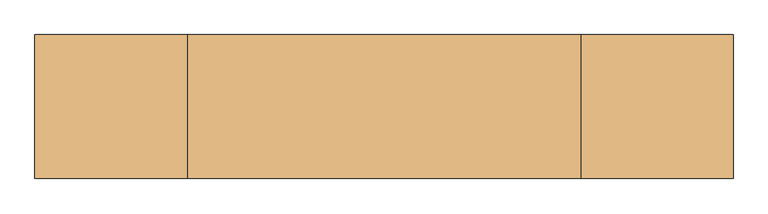
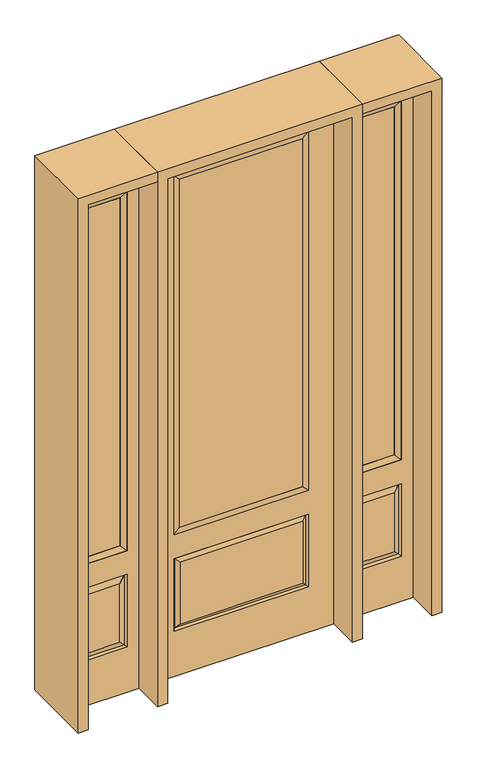
"""IFC4 building model written with IfcOpenShell, lengths in millimetres: door geometry."""

import ifcopenshell
import ifcopenshell.guid

model = None  # the IFC model being written
_history = None  # IfcOwnerHistory: only IFC2X3 demands one
_inside = {}  # id of a spatial element -> (the spatial element, [elements in it])
_under = {}  # id of a project, library or spatial element -> (it, [spatial elements below it])
_declared = {}  # id of a project -> (the project, [libraries it declares])
_typed = {}  # id of a type object -> (the type object, [elements of that type])
_made_of = {}  # id of a material, layer set ... -> (it, [elements and type objects made of it])


def new_model(schema):
    """Start an empty IFC model of exactly this schema.

    Asked for "IFC4X3", IfcOpenShell would pick the latest addendum, in which some entities
    have other attributes; the version numbers below select the first issue.
    IFC2X3 requires an IfcOwnerHistory on every rooted entity: one is made here for all.
    """
    global model, _history
    if schema == "IFC4X3":
        model = ifcopenshell.file(schema_version=(4, 3, 0, 0))
    else:
        model = ifcopenshell.file(schema=schema)
    _inside.clear()
    _under.clear()
    _declared.clear()
    _typed.clear()
    _made_of.clear()
    _history = None
    if model.schema == "IFC2X3":
        org = make("IfcOrganization", Name="unknown")
        user = make(
            "IfcPersonAndOrganization",
            ThePerson=make("IfcPerson", FamilyName="unknown"),
            TheOrganization=org,
        )
        app = make(
            "IfcApplication",
            ApplicationDeveloper=org,
            Version="unknown",
            ApplicationFullName="unknown",
            ApplicationIdentifier="unknown",
        )
        _history = make(
            "IfcOwnerHistory",
            OwningUser=user,
            OwningApplication=app,
            ChangeAction="ADDED",
            CreationDate=0,
        )
    return model


def make(cls, **values):
    """One entity of the class cls with the attributes given. An attribute that is None is left unset."""
    return model.create_entity(
        cls, **{name: value for name, value in values.items() if value is not None}
    )


def rooted(cls, **values):
    """An entity with a GlobalId (a new one), such as an element, a storey or a relation."""
    return make(cls, GlobalId=ifcopenshell.guid.new(), OwnerHistory=_history, **values)


def si_unit(unit_type, name, prefix=None):
    """IfcSIUnit, for example si_unit("LENGTHUNIT", "METRE", prefix="MILLI")."""
    return make("IfcSIUnit", UnitType=unit_type, Prefix=prefix, Name=name)


def assignment(units):
    """IfcUnitAssignment: the units of a project."""
    return None if units is None else make("IfcUnitAssignment", Units=units)


def point(xyz):
    """IfcCartesianPoint."""
    return None if xyz is None else make("IfcCartesianPoint", Coordinates=xyz)


def direction(xyz):
    """IfcDirection."""
    return None if xyz is None else make("IfcDirection", DirectionRatios=xyz)


def frame(location, z_axis=None, x_axis=None):
    """IfcAxis2Placement3D, a coordinate frame: its origin and axes. An axis left out is left unset."""
    return make(
        "IfcAxis2Placement3D",
        Location=point(location),
        Axis=direction(z_axis),
        RefDirection=direction(x_axis),
    )


def origin():
    """The frame at (0, 0, 0) with its axes left unset."""
    return frame((0.0, 0.0, 0.0))


def place(relative_to, where):
    """IfcLocalPlacement: puts the frame where relative to a parent placement (None: the world)."""
    return make(
        "IfcLocalPlacement", PlacementRelTo=relative_to, RelativePlacement=where
    )


def context(
    kind, dimensions, precision=None, world=None, true_north=None, identifier=None
):
    """IfcGeometricRepresentationContext, for example the 3D "Model" context."""
    return make(
        "IfcGeometricRepresentationContext",
        ContextIdentifier=identifier,
        ContextType=kind,
        CoordinateSpaceDimension=dimensions,
        Precision=precision,
        WorldCoordinateSystem=world,
        TrueNorth=true_north,
    )


def project(units=None, contexts=None):
    """IfcProject with its units and contexts."""
    return rooted(
        "IfcProject",
        Name="project",
        RepresentationContexts=contexts,
        UnitsInContext=assignment(units),
    )


def spatial(cls, under=None, at=None, **own):
    """A site, building, storey or space (cls), placed at a placement, below another one or the project."""
    s = rooted(cls, ObjectPlacement=at, **own)
    if under is not None:
        _under.setdefault(under.id(), (under, []))[1].append(s)
    return s


def polyline(points):
    """IfcPolyline through the points."""
    return make("IfcPolyline", Points=[point(p) for p in points])


def outline(outer, holes=None, kind="AREA"):
    """IfcArbitraryClosedProfileDef: a profile drawn as a closed curve; with holes, ...WithVoids."""
    if holes is None:
        return make("IfcArbitraryClosedProfileDef", ProfileType=kind, OuterCurve=outer)
    return make(
        "IfcArbitraryProfileDefWithVoids",
        ProfileType=kind,
        OuterCurve=outer,
        InnerCurves=holes,
    )


def extrude(swept, where, along, depth):
    """IfcExtrudedAreaSolid: the profile swept, set in the frame where, extruded along a direction by depth."""
    return make(
        "IfcExtrudedAreaSolid",
        SweptArea=swept,
        Position=where,
        ExtrudedDirection=direction(along),
        Depth=depth,
    )


def faces_of(points, faces, orient=None, outer=None):
    """IfcFace entities. A face is a list of loops; a loop is a list of indices into points, from 0.

    orient and outer hold one flag for each loop. By default every Orientation is true, the
    first loop of a face is its IfcFaceOuterBound and the others are IfcFaceBound.
    """
    made = []
    for i, loops in enumerate(faces):
        bounds = []
        for j, loop in enumerate(loops):
            is_outer = j == 0 if outer is None else outer[i][j]
            bounds.append(
                make(
                    "IfcFaceOuterBound" if is_outer else "IfcFaceBound",
                    Bound=make("IfcPolyLoop", Polygon=[points[k] for k in loop]),
                    Orientation=True if orient is None else orient[i][j],
                )
            )
        made.append(make("IfcFace", Bounds=bounds))
    return made


def faceted_brep(points, faces, orient=None, outer=None, voids=None):
    """IfcFacetedBrep: a solid bounded by flat faces; with voids (closed shells), ...WithVoids."""
    shared = [point(p) for p in points]
    hull = make("IfcClosedShell", CfsFaces=faces_of(shared, faces, orient, outer))
    if voids is None:
        return make("IfcFacetedBrep", Outer=hull)
    return make(
        "IfcFacetedBrepWithVoids",
        Outer=hull,
        Voids=[
            make(cls, CfsFaces=faces_of(shared, fs, o, b)) for cls, fs, o, b in voids
        ],
    )


def shape(context_of_items, identifier, shape_type, items):
    """IfcShapeRepresentation: the items that make up one representation, for example the "Body"."""
    return make(
        "IfcShapeRepresentation",
        ContextOfItems=context_of_items,
        RepresentationIdentifier=identifier,
        RepresentationType=shape_type,
        Items=items,
    )


def source(mapping_origin, context_of_items, identifier, shape_type, items):
    """IfcRepresentationMap: a shape defined once, which mapped items show again and again."""
    return make(
        "IfcRepresentationMap",
        MappingOrigin=mapping_origin,
        MappedRepresentation=shape(context_of_items, identifier, shape_type, items),
    )


def transform(
    local_origin,
    x_axis=None,
    y_axis=None,
    z_axis=None,
    scale=None,
    scale2=None,
    scale3=None,
    uniform=True,
):
    """IfcCartesianTransformationOperator3D, or its non-uniform kind. x_axis, y_axis, z_axis: its Axis1, 2, 3."""
    if uniform:
        return make(
            "IfcCartesianTransformationOperator3D",
            Axis1=direction(x_axis),
            Axis2=direction(y_axis),
            LocalOrigin=point(local_origin),
            Scale=scale,
            Axis3=direction(z_axis),
        )
    return make(
        "IfcCartesianTransformationOperator3DnonUniform",
        Axis1=direction(x_axis),
        Axis2=direction(y_axis),
        LocalOrigin=point(local_origin),
        Scale=scale,
        Axis3=direction(z_axis),
        Scale2=scale2,
        Scale3=scale3,
    )


def mapped(mapping_source, mapping_target):
    """IfcMappedItem: shows the shape of a source again, moved by a transform."""
    return make(
        "IfcMappedItem", MappingSource=mapping_source, MappingTarget=mapping_target
    )


def made_of(thing, what):
    """Note that an element or type object is made of a material, layer set ...; save() writes the relation."""
    if what is not None:
        _made_of.setdefault(what.id(), (what, []))[1].append(thing)
    return thing


def element(
    cls,
    number,
    at=None,
    inside=None,
    cuts=None,
    type_object=None,
    material=None,
    context=None,
    identifier="Body",
    shape_type=None,
    held_by="IfcProductDefinitionShape",
    body=None,
    shapes=None,
    **own,
):
    """One element of the class cls, such as IfcWall. Its Tag is "e" and its number.

    at: its placement. inside: the storey or other place that contains it. cuts: it is an
    opening in that element (IfcRelVoidsElement). A single representation is given by context,
    identifier, shape_type and body (its items); several are given by shapes. held_by: the class
    of the entity that holds the representations. save() writes the other relations.
    """
    e = rooted(cls, Tag="e%d" % number, ObjectPlacement=at, **own)
    if body is not None:
        shapes = [shape(context, identifier, shape_type, body)]
    if shapes is not None:
        e.Representation = make(held_by, Representations=shapes)
    if inside is not None:
        _inside.setdefault(inside.id(), (inside, []))[1].append(e)
    if cuts is not None:
        rooted(
            "IfcRelVoidsElement", RelatingBuildingElement=cuts, RelatedOpeningElement=e
        )
    if type_object is not None:
        _typed.setdefault(type_object.id(), (type_object, []))[1].append(e)
    return made_of(e, material)


def aggregate(whole, parts):
    """IfcRelAggregates: a whole, such as a stair, and the parts it consists of."""
    return rooted("IfcRelAggregates", RelatingObject=whole, RelatedObjects=parts)


def save(model, path):
    """Write the relations noted so far, then the file.

    IfcRelAggregates (storeys below a building ...), IfcRelContainedInSpatialStructure (elements
    in a storey), IfcRelDefinesByType, IfcRelAssociatesMaterial and IfcRelDeclares: one each for
    every whole, place, type object, material and project.
    """
    for whole, parts in _under.values():
        aggregate(whole, parts)
    for where, things in _inside.values():
        rooted(
            "IfcRelContainedInSpatialStructure",
            RelatedElements=things,
            RelatingStructure=where,
        )
    for kind, things in _typed.values():
        rooted("IfcRelDefinesByType", RelatedObjects=things, RelatingType=kind)
    for what, things in _made_of.values():
        rooted("IfcRelAssociatesMaterial", RelatedObjects=things, RelatingMaterial=what)
    for by, libraries in _declared.values():
        rooted("IfcRelDeclares", RelatingContext=by, RelatedDefinitions=libraries)
    model.write(path)


def door_7a5bc034(model_context):
    return source(origin(), model_context, "Body", "SolidModel", [
        faceted_brep([(450.85, -22.225, 0.0), (755.65, -22.225, 0.0), (755.65, -22.225, 2438.4), (450.85, -22.225, 2438.4), (703.58, -22.225, 2325.624), (703.58, -22.225, 657.098), (502.92, -22.225, 657.098), (502.92, -22.225, 2325.624), (703.58, -22.225, 209.55), (502.92, -22.225, 209.55), (502.92, -22.225, 546.1), (703.58, -22.225, 546.1), (534.6351001, -22.225, 241.2651001), (671.8648999, -22.225, 241.2651001), (671.8648999, -22.225, 514.3848999), (534.6351001, -22.225, 514.3848999), (450.85, 22.225, 0.0), (450.85, 22.225, 2438.4), (755.65, 22.225, 2438.4), (755.65, 22.225, 0.0), (703.58, 22.225, 2325.624), (502.92, 22.225, 2325.624), (502.92, 22.225, 657.098), (703.58, 22.225, 657.098), (502.92, 22.225, 209.55), (703.58, 22.225, 209.55), (703.58, 22.225, 546.1), (502.92, 22.225, 546.1), (671.8648999, 22.225, 241.2651001), (534.6351001, 22.225, 241.2651001), (534.6351001, 22.225, 514.3848999), (671.8648999, 22.225, 514.3848999), (696.4711499, 12.7912373, 216.6588501), (510.0288501, 12.7912373, 216.6588501), (510.0288501, 12.7912373, 538.9911499), (696.4711499, 12.7912373, 538.9911499), (510.0288501, -12.7912373, 216.6588501), (696.4711499, -12.7912373, 216.6588501), (510.0288501, -12.7912373, 538.9911499), (696.4711499, -12.7912373, 538.9911499)], [[[0, 1, 2, 3], [4, 5, 6, 7], [8, 9, 10, 11]], [[12, 13, 14, 15]], [[16, 17, 18, 19], [20, 21, 22, 23], [24, 25, 26, 27]], [[28, 29, 30, 31]], [[1, 0, 16, 19]], [[2, 1, 19, 18]], [[3, 2, 18, 17]], [[0, 3, 17, 16]], [[5, 4, 20, 23]], [[6, 5, 23, 22]], [[7, 6, 22, 21]], [[4, 7, 21, 20]], [[32, 33, 29, 28]], [[33, 32, 25, 24]], [[29, 33, 34, 30]], [[33, 24, 27, 34]], [[30, 34, 35, 31]], [[34, 27, 26, 35]], [[32, 28, 31, 35]], [[25, 32, 35, 26]], [[12, 36, 37, 13]], [[37, 36, 9, 8]], [[36, 12, 15, 38]], [[9, 36, 38, 10]], [[38, 15, 14, 39]], [[10, 38, 39, 11]], [[13, 37, 39, 14]], [[37, 8, 11, 39]]]),
        faceted_brep([(502.92, 22.225, 2325.624), (502.92, -22.225, 2325.624), (703.58, -22.225, 2325.624), (703.58, 22.225, 2325.624), (528.32, 12.7, 2300.224), (678.18, 12.7, 2300.224), (528.32, -12.7, 2300.224), (678.18, -12.7, 2300.224), (703.58, -22.225, 657.098), (703.58, 22.225, 657.098), (678.18, 12.7, 682.498), (678.18, -12.7, 682.498), (502.92, -22.225, 657.098), (502.92, 22.225, 657.098), (528.32, 12.7, 682.498), (528.32, -12.7, 682.498)], [[[0, 1, 2, 3]], [[4, 0, 3, 5]], [[6, 4, 5, 7]], [[1, 6, 7, 2]], [[3, 2, 8, 9]], [[5, 3, 9, 10]], [[7, 5, 10, 11]], [[2, 7, 11, 8]], [[9, 8, 12, 13]], [[10, 9, 13, 14]], [[11, 10, 14, 15]], [[8, 11, 15, 12]], [[13, 12, 1, 0]], [[14, 13, 0, 4]], [[15, 14, 4, 6]], [[12, 15, 6, 1]]]),
        extrude(outline(polyline([(678.18, -12.7), (528.32, -12.7), (528.32, 12.7), (678.18, 12.7), (678.18, -12.7)])), frame((0.0, 0.0, 682.498), z_axis=(0.0, 0.0, 1.0), x_axis=(1.0, 0.0, 0.0)), (0.0, 0.0, 1.0), 1617.726),
        faceted_brep([(-755.65, -22.225, 0.0), (-450.85, -22.225, 0.0), (-450.85, -22.225, 2438.4), (-755.65, -22.225, 2438.4), (-502.92, -22.225, 2325.624), (-502.92, -22.225, 657.098), (-703.58, -22.225, 657.098), (-703.58, -22.225, 2325.624), (-502.92, -22.225, 209.55), (-703.58, -22.225, 209.55), (-703.58, -22.225, 546.1), (-502.92, -22.225, 546.1), (-671.8648999, -22.225, 241.2651001), (-534.6351001, -22.225, 241.2651001), (-534.6351001, -22.225, 514.3848999), (-671.8648999, -22.225, 514.3848999), (-755.65, 22.225, 0.0), (-755.65, 22.225, 2438.4), (-450.85, 22.225, 2438.4), (-450.85, 22.225, 0.0), (-502.92, 22.225, 2325.624), (-703.58, 22.225, 2325.624), (-703.58, 22.225, 657.098), (-502.92, 22.225, 657.098), (-703.58, 22.225, 209.55), (-502.92, 22.225, 209.55), (-502.92, 22.225, 546.1), (-703.58, 22.225, 546.1), (-534.6351001, 22.225, 241.2651001), (-671.8648999, 22.225, 241.2651001), (-671.8648999, 22.225, 514.3848999), (-534.6351001, 22.225, 514.3848999), (-510.0288501, 12.7912373, 216.6588501), (-696.4711499, 12.7912373, 216.6588501), (-696.4711499, 12.7912373, 538.9911499), (-510.0288501, 12.7912373, 538.9911499), (-696.4711499, -12.7912373, 216.6588501), (-510.0288501, -12.7912373, 216.6588501), (-696.4711499, -12.7912373, 538.9911499), (-510.0288501, -12.7912373, 538.9911499)], [[[0, 1, 2, 3], [4, 5, 6, 7], [8, 9, 10, 11]], [[12, 13, 14, 15]], [[16, 17, 18, 19], [20, 21, 22, 23], [24, 25, 26, 27]], [[28, 29, 30, 31]], [[1, 0, 16, 19]], [[2, 1, 19, 18]], [[3, 2, 18, 17]], [[0, 3, 17, 16]], [[5, 4, 20, 23]], [[6, 5, 23, 22]], [[7, 6, 22, 21]], [[4, 7, 21, 20]], [[32, 33, 29, 28]], [[33, 32, 25, 24]], [[29, 33, 34, 30]], [[33, 24, 27, 34]], [[30, 34, 35, 31]], [[34, 27, 26, 35]], [[32, 28, 31, 35]], [[25, 32, 35, 26]], [[12, 36, 37, 13]], [[37, 36, 9, 8]], [[36, 12, 15, 38]], [[9, 36, 38, 10]], [[38, 15, 14, 39]], [[10, 38, 39, 11]], [[13, 37, 39, 14]], [[37, 8, 11, 39]]]),
        faceted_brep([(-703.58, 22.225, 2325.624), (-703.58, -22.225, 2325.624), (-502.92, -22.225, 2325.624), (-502.92, 22.225, 2325.624), (-678.18, 12.7, 2300.224), (-528.32, 12.7, 2300.224), (-678.18, -12.7, 2300.224), (-528.32, -12.7, 2300.224), (-502.92, -22.225, 657.098), (-502.92, 22.225, 657.098), (-528.32, 12.7, 682.498), (-528.32, -12.7, 682.498), (-703.58, -22.225, 657.098), (-703.58, 22.225, 657.098), (-678.18, 12.7, 682.498), (-678.18, -12.7, 682.498)], [[[0, 1, 2, 3]], [[4, 0, 3, 5]], [[6, 4, 5, 7]], [[1, 6, 7, 2]], [[3, 2, 8, 9]], [[5, 3, 9, 10]], [[7, 5, 10, 11]], [[2, 7, 11, 8]], [[9, 8, 12, 13]], [[10, 9, 13, 14]], [[11, 10, 14, 15]], [[8, 11, 15, 12]], [[13, 12, 1, 0]], [[14, 13, 0, 4]], [[15, 14, 4, 6]], [[12, 15, 6, 1]]]),
        extrude(outline(polyline([(-528.32, -12.7), (-678.18, -12.7), (-678.18, 12.7), (-528.32, 12.7), (-528.32, -12.7)])), frame((0.0, 0.0, 682.498), z_axis=(0.0, 0.0, 1.0), x_axis=(1.0, 0.0, 0.0)), (0.0, 0.0, 1.0), 1617.726),
        extrude(outline(polyline([(269.875, -20.32), (-269.875, -20.32), (-269.875, 5.08), (269.875, 5.08), (269.875, -20.32)])), frame((0.0, 0.0, 682.498), z_axis=(0.0, 0.0, 1.0), x_axis=(1.0, 0.0, 0.0)), (0.0, 0.0, 1.0), 1616.202),
        faceted_brep([(-288.1661499, -12.7912373, 216.6588501), (288.1661499, -12.7912373, 216.6588501), (270.66875, -22.225, 234.15625), (-270.66875, -22.225, 234.15625), (-295.275, -22.225, 209.55), (295.275, -22.225, 209.55), (-288.1661499, -12.7912373, 538.9911499), (-295.275, -22.225, 546.1), (270.66875, -22.225, 521.49375), (-270.66875, -22.225, 521.49375), (406.4, -22.225, 2438.4), (-406.4, -22.225, 2438.4), (-406.4, -22.225, 0.0), (406.4, -22.225, 0.0), (295.275, -22.225, 546.1), (295.275, -22.225, 2324.1), (295.275, -22.225, 657.098), (-295.275, -22.225, 657.098), (-295.275, -22.225, 2324.1), (288.1661499, -12.7912373, 538.9911499), (-406.4, 22.225, 2438.4), (-406.4, 22.225, 0.0), (406.4, 22.225, 0.0), (406.4, 22.225, 2438.4), (295.275, 22.225, 2324.1), (295.275, 22.225, 657.098), (-295.275, 22.225, 657.098), (-295.275, 22.225, 2324.1), (-295.275, 22.225, 209.55), (295.275, 22.225, 209.55), (295.275, 22.225, 546.1), (-295.275, 22.225, 546.1), (270.66875, 22.225, 234.15625), (-270.66875, 22.225, 234.15625), (-270.66875, 22.225, 521.49375), (270.66875, 22.225, 521.49375), (-288.1661499, 12.7912373, 216.6588501), (288.1661499, 12.7912373, 216.6588501), (288.1661499, 12.7912373, 538.9911499), (-288.1661499, 12.7912373, 538.9911499)], [[[0, 1, 2, 3]], [[1, 0, 4, 5]], [[4, 0, 6, 7]], [[3, 2, 8, 9]], [[10, 11, 12, 13], [5, 4, 7, 14], [15, 16, 17, 18]], [[1, 5, 14, 19]], [[2, 1, 19, 8]], [[0, 3, 9, 6]], [[7, 6, 19, 14]], [[6, 9, 8, 19]], [[12, 11, 20, 21]], [[13, 12, 21, 22]], [[10, 13, 22, 23]], [[16, 15, 24, 25]], [[17, 16, 25, 26]], [[18, 17, 26, 27]], [[23, 22, 21, 20], [28, 29, 30, 31], [24, 27, 26, 25]], [[32, 33, 34, 35]], [[28, 36, 37, 29]], [[29, 37, 38, 30]], [[39, 31, 30, 38]], [[36, 28, 31, 39]], [[37, 36, 33, 32]], [[33, 36, 39, 34]], [[34, 39, 38, 35]], [[37, 32, 35, 38]], [[11, 10, 23, 20]], [[15, 18, 27, 24]]]),
        faceted_brep([(-295.275, -22.225, 2324.1), (-295.275, 22.225, 2324.1), (-295.275, 22.225, 657.098), (-295.275, -22.225, 657.098), (295.275, 22.225, 657.098), (295.275, -22.225, 657.098), (-269.875, 5.08, 682.498), (269.875, 5.08, 682.498), (295.275, 22.225, 2324.1), (295.275, -22.225, 2324.1), (-269.875, -20.32, 682.498), (269.875, -20.32, 682.498), (-269.875, -20.32, 2298.7), (269.875, -20.32, 2298.7), (-269.875, 5.08, 2298.7), (269.875, 5.08, 2298.7)], [[[0, 1, 2, 3]], [[3, 2, 4, 5]], [[2, 6, 7, 4]], [[5, 4, 8, 9]], [[10, 3, 5, 11]], [[12, 0, 3, 10]], [[11, 5, 9, 13]], [[6, 10, 11, 7]], [[14, 12, 10, 6]], [[7, 11, 13, 15]], [[1, 14, 6, 2]], [[4, 7, 15, 8]], [[9, 8, 1, 0]], [[13, 9, 0, 12]], [[15, 13, 12, 14]], [[8, 15, 14, 1]]]),
        extrude(outline(polyline([(2438.4, -450.85), (2482.85, -450.85), (2482.85, -800.1), (0.0, -800.1), (0.0, -755.65), (2438.4, -755.65), (2438.4, -450.85)])), frame((0.0, -165.1, 0.0), z_axis=(0.0, 1.0, 0.0), x_axis=(0.0, 0.0, 1.0)), (0.0, 0.0, 1.0), 330.2),
        extrude(outline(polyline([(2482.85, -450.85), (0.0, -450.85), (0.0, -406.4), (2438.4, -406.4), (2438.4, 406.4), (0.0, 406.4), (0.0, 450.85), (2482.85, 450.85), (2482.85, -450.85)])), frame((0.0, -165.1, 0.0), z_axis=(0.0, 1.0, 0.0), x_axis=(0.0, 0.0, 1.0)), (0.0, 0.0, 1.0), 330.2),
        extrude(outline(polyline([(0.0, 755.65), (0.0, 800.1), (2482.85, 800.1), (2482.85, 450.85), (2438.4, 450.85), (2438.4, 755.65), (0.0, 755.65)])), frame((0.0, -165.1, 0.0), z_axis=(0.0, 1.0, 0.0), x_axis=(0.0, 0.0, 1.0)), (0.0, 0.0, 1.0), 330.2),
    ])


if __name__ == "__main__":
    model = new_model("IFC4")
    model_context = context("Model", 3, world=origin())
    ifc_project = project(units=[si_unit("LENGTHUNIT", "METRE", prefix="MILLI")], contexts=[model_context])
    site = spatial("IfcSite", under=ifc_project)
    building = spatial("IfcBuilding", under=site)
    placement = place(None, origin())
    door_shape = door_7a5bc034(model_context)
    element("IfcDoor", 1, at=placement, inside=building, context=model_context, shape_type="MappedRepresentation", body=[
        mapped(door_shape, transform((0.0, 0.0, 0.0), x_axis=(1.0, 0.0, 0.0), y_axis=(0.0, 1.0, 0.0), z_axis=(0.0, 0.0, 1.0))),
    ])
    save(model, "model.ifc")
